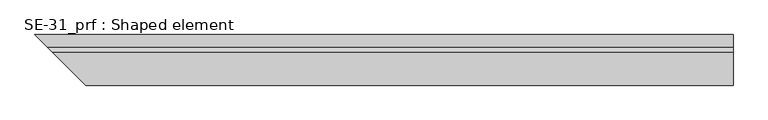
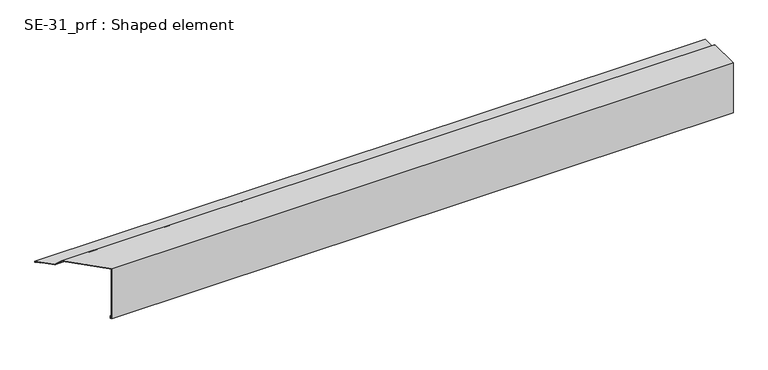
"""IFC4 building model written with IfcOpenShell, lengths in millimetres: proxy geometry, SE-31_prf : Shaped element."""

from ifc_helpers import new_model, si_unit, origin, place, context, project, spatial, faceted_brep, source, transform, mapped, element, save


def se_31_prf_shaped_element_f812785e(model_context):
    return source(origin(), model_context, "Body", "Brep", [
        faceted_brep([(2.0, -2.0, -150.0), (1999.9436463, -2.0, -150.0), (1999.9436463, -5.0, -150.0), (5.0, -5.0, -150.0), (4.0, -4.0, -149.0), (1999.9436463, -4.0, -149.0), (1999.9436463, -3.0, -149.0), (3.0, -3.0, -149.0), (1999.9436463, -3.0, -140.0), (3.0, -3.0, -140.0), (1999.9436463, -2.0, -140.0), (2.0, -2.0, -140.0), (5.0, -5.0, 20.0), (1999.9436463, -5.0, 20.0), (1999.9436463, 0.0, 20.0), (1999.9436463, 96.0, 20.0), (-96.0, 96.0, 20.0), (0.0, 0.0, 20.0), (1999.9436463, 111.0, 5.0), (-111.0, 111.0, 5.0), (1999.9436463, 151.0, 5.0), (-151.0, 151.0, 5.0), (1999.9436463, 151.0, 2.0), (-151.0, 151.0, 2.0), (1999.9436463, 141.0, 2.0), (-141.0, 141.0, 2.0), (1999.9436463, 141.0, 3.0), (-141.0, 141.0, 3.0), (1999.9436463, 150.0, 3.0), (-150.0, 150.0, 3.0), (1999.9436463, 150.0, 4.0), (-150.0, 150.0, 4.0), (1999.9436463, 110.5857864, 4.0), (-110.5857864, 110.5857864, 4.0), (1999.9436463, 95.5857864, 19.0), (-95.5857864, 95.5857864, 19.0), (0.0, 0.0, 19.0), (1999.9436463, 0.0, 19.0), (1999.9436463, -4.0, 19.0), (4.0, -4.0, 19.0)], [[[0, 1, 2, 3]], [[4, 5, 6, 7]], [[7, 6, 8, 9]], [[9, 8, 10, 11]], [[11, 10, 1, 0]], [[12, 13, 14, 15, 16, 17]], [[16, 15, 18, 19]], [[19, 18, 20, 21]], [[21, 20, 22, 23]], [[23, 22, 24, 25]], [[25, 24, 26, 27]], [[27, 26, 28, 29]], [[29, 28, 30, 31]], [[31, 30, 32, 33]], [[33, 32, 34, 35]], [[36, 35, 34, 37, 38, 39]], [[39, 38, 5, 4]], [[3, 2, 13, 12]], [[36, 39, 4, 7, 9, 11, 0, 3, 12, 17]], [[17, 16, 19, 21, 23, 25, 27, 29, 31, 33, 35, 36]], [[14, 13, 2, 1, 10, 8, 6, 5, 38, 37]], [[37, 34, 32, 30, 28, 26, 24, 22, 20, 18, 15, 14]]]),
    ])


if __name__ == "__main__":
    model = new_model("IFC4")
    model_context = context("Model", 3, world=origin())
    ifc_project = project(units=[si_unit("LENGTHUNIT", "METRE", prefix="MILLI")], contexts=[model_context])
    site = spatial("IfcSite", under=ifc_project)
    building = spatial("IfcBuilding", under=site)
    placement = place(None, origin())
    se_31_prf_shaped_element_shape = se_31_prf_shaped_element_f812785e(model_context)
    element("IfcBuildingElementProxy", 1, Name="SE-31_prf : Shaped element", ObjectType="SE-31_prf : Shaped element", at=placement, inside=building, context=model_context, shape_type="MappedRepresentation", body=[
        mapped(se_31_prf_shaped_element_shape, transform((0.0, 0.0, 0.0), x_axis=(1.0, 0.0, 0.0), y_axis=(0.0, 1.0, 0.0), z_axis=(0.0, 0.0, 1.0))),
    ])
    save(model, "model.ifc")
